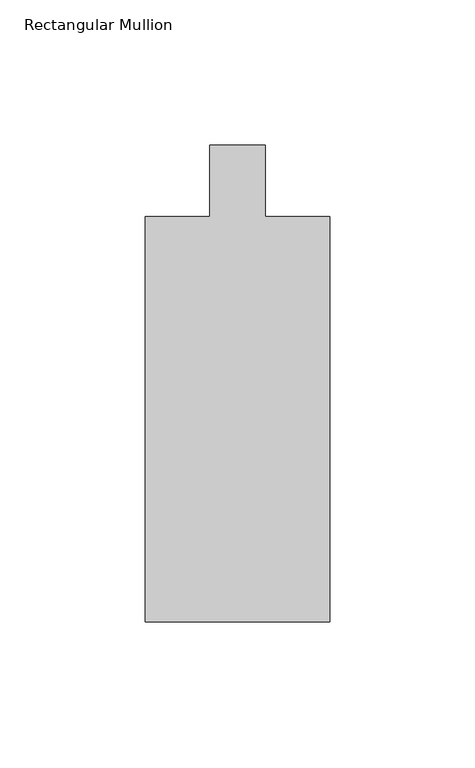
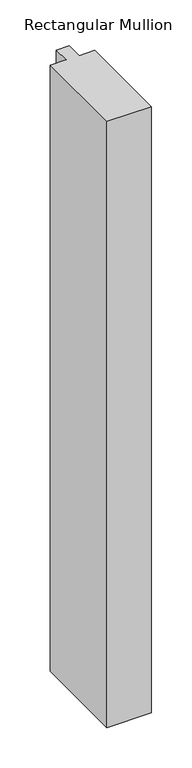
"""IFC4 building model written with IfcOpenShell, lengths in millimetres: member geometry, Rectangular Mullion."""

from ifc_helpers import new_model, si_unit, frame, origin, place, context, project, spatial, polyline, outline, extrude, source, transform, mapped, element, save


def rectangular_mullion_23e38de1(model_context):
    return source(origin(), model_context, "Body", "SweptSolid", [
        extrude(outline(polyline([(-31.7499972, -184.1707037), (-31.7712455, -44.458303), (-9.5331524, -44.4549209), (-9.536898, -19.8265959), (9.5001216, -19.8237006), (9.5038667, -44.448558), (31.7287471, -44.4451779), (31.749996, -184.1610463), (-31.7499972, -184.1707037)])), frame((0.0, 0.0, -914.4), z_axis=(0.0, 0.0, 1.0), x_axis=(1.0, 0.0, 0.0)), (0.0, 0.0, 1.0), 914.4),
    ])


if __name__ == "__main__":
    model = new_model("IFC4")
    model_context = context("Model", 3, world=origin())
    ifc_project = project(units=[si_unit("LENGTHUNIT", "METRE", prefix="MILLI")], contexts=[model_context])
    site = spatial("IfcSite", under=ifc_project)
    building = spatial("IfcBuilding", under=site)
    placement = place(None, origin())
    rectangular_mullion_shape = rectangular_mullion_23e38de1(model_context)
    element("IfcMember", 1, ObjectType="Rectangular Mullion", at=placement, inside=building, context=model_context, shape_type="MappedRepresentation", body=[
        mapped(rectangular_mullion_shape, transform((0.0, 0.0, 0.0), x_axis=(1.0, 0.0, 0.0), y_axis=(0.0, 1.0, 0.0), z_axis=(0.0, 0.0, 1.0))),
    ])
    save(model, "model.ifc")
